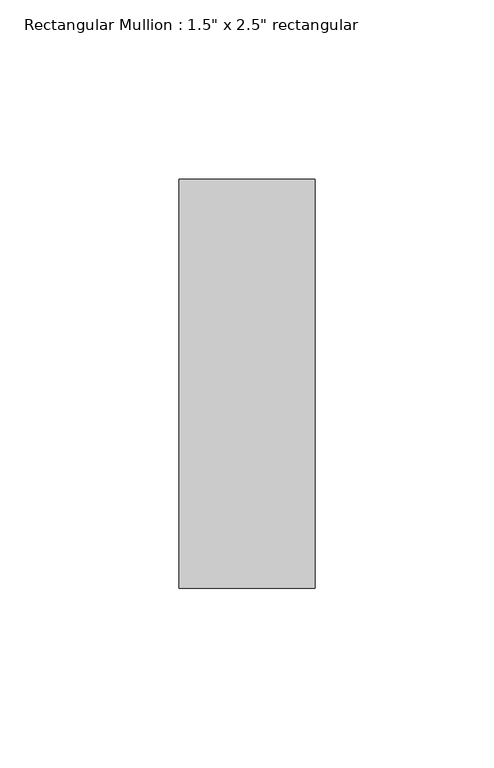
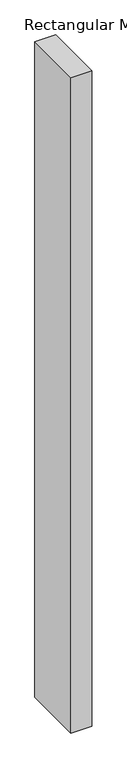
"""IFC4 building model written with IfcOpenShell, lengths in millimetres: member geometry."""

from ifc_helpers import new_model, si_unit, frame, origin, place, context, project, spatial, polyline, outline, extrude, source, transform, mapped, element, save


def member_88b00b98(model_context):
    return source(origin(), model_context, "Body", "SweptSolid", [
        extrude(outline(polyline([(0.0, 57.15), (0.0, -57.15), (-38.1, -57.15), (-38.1, 57.15), (0.0, 57.15)])), frame((0.0, 0.0, -1268.4125), z_axis=(0.0, 0.0, 1.0), x_axis=(1.0, 0.0, 0.0)), (0.0, 0.0, 1.0), 1268.4125),
    ])


if __name__ == "__main__":
    model = new_model("IFC4")
    model_context = context("Model", 3, world=origin())
    ifc_project = project(units=[si_unit("LENGTHUNIT", "METRE", prefix="MILLI")], contexts=[model_context])
    site = spatial("IfcSite", under=ifc_project)
    building = spatial("IfcBuilding", under=site)
    placement = place(None, origin())
    member_shape = member_88b00b98(model_context)
    element("IfcMember", 1, ObjectType="Rectangular Mullion : 1.5\" x 2.5\" rectangular", at=placement, inside=building, context=model_context, shape_type="MappedRepresentation", body=[
        mapped(member_shape, transform((0.0, 0.0, 0.0), x_axis=(1.0, 0.0, 0.0), y_axis=(0.0, 1.0, 0.0), z_axis=(0.0, 0.0, 1.0))),
    ])
    save(model, "model.ifc")
